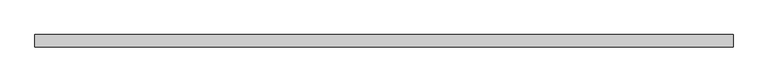
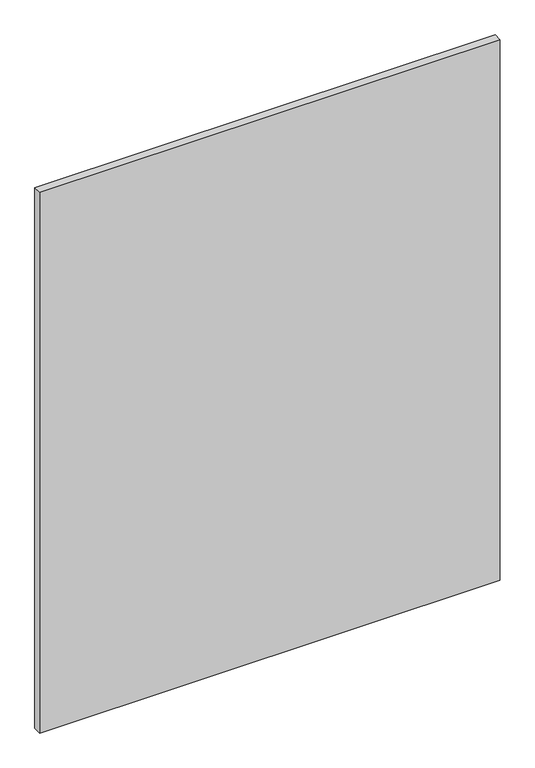
"""IFC4 building model written with IfcOpenShell, lengths in millimetres: plate geometry."""

from ifc_helpers import new_model, si_unit, origin, origin_with_axes, place, context, project, spatial, polyline, outline, extrude, source, transform, mapped, element, save


def plate_e7233c51(model_context):
    return source(origin(), model_context, "Body", "SweptSolid", [
        extrude(outline(polyline([(709.6794629, -12.7), (-709.6794629, -12.7), (-709.6794629, 12.7), (709.6794629, 12.7), (709.6794629, -12.7)])), origin_with_axes(), (0.0, 0.0, 1.0), 1761.3),
    ])


if __name__ == "__main__":
    model = new_model("IFC4")
    model_context = context("Model", 3, world=origin())
    ifc_project = project(units=[si_unit("LENGTHUNIT", "METRE", prefix="MILLI")], contexts=[model_context])
    site = spatial("IfcSite", under=ifc_project)
    building = spatial("IfcBuilding", under=site)
    placement = place(None, origin())
    plate_shape = plate_e7233c51(model_context)
    element("IfcPlate", 1, at=placement, inside=building, context=model_context, shape_type="MappedRepresentation", body=[
        mapped(plate_shape, transform((0.0, 0.0, 0.0), x_axis=(1.0, 0.0, 0.0), y_axis=(0.0, 1.0, 0.0), z_axis=(0.0, 0.0, 1.0))),
    ])
    save(model, "model.ifc")
